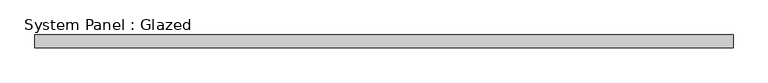
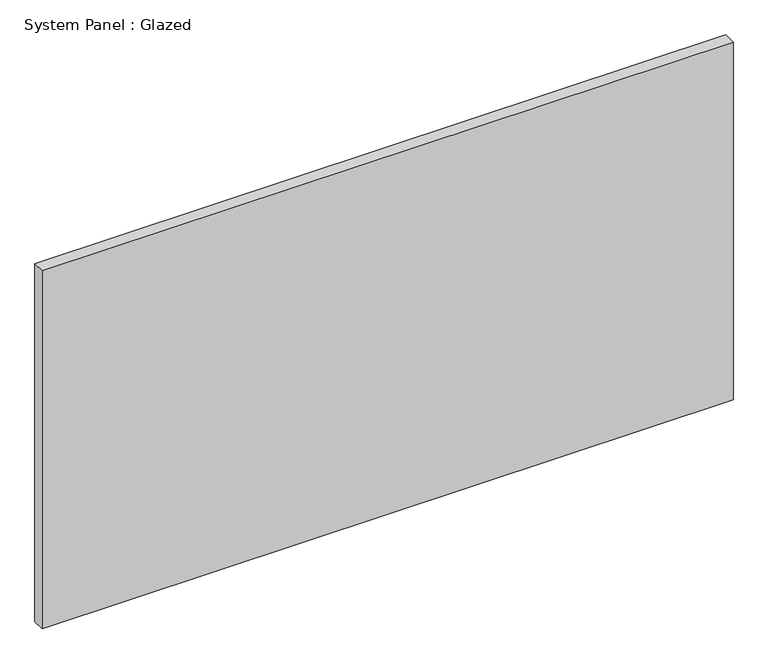
"""IFC4 building model written with IfcOpenShell, lengths in millimetres: plate geometry, System Panel : Glazed."""

from ifc_helpers import new_model, si_unit, origin, origin_with_axes, place, context, project, spatial, polyline, outline, extrude, source, transform, mapped, element, save


def system_panel_glazed_7d98da8e(model_context):
    return source(origin(), model_context, "Body", "SweptSolid", [
        extrude(outline(polyline([(700.0, 19.05), (-700.0, 19.05), (-700.0, 44.45), (700.0, 44.45), (700.0, 19.05)])), origin_with_axes(), (0.0, 0.0, 1.0), 766.6666667),
    ])


if __name__ == "__main__":
    model = new_model("IFC4")
    model_context = context("Model", 3, world=origin())
    ifc_project = project(units=[si_unit("LENGTHUNIT", "METRE", prefix="MILLI")], contexts=[model_context])
    site = spatial("IfcSite", under=ifc_project)
    building = spatial("IfcBuilding", under=site)
    placement = place(None, origin())
    system_panel_glazed_shape = system_panel_glazed_7d98da8e(model_context)
    element("IfcPlate", 1, ObjectType="System Panel : Glazed", at=placement, inside=building, context=model_context, shape_type="MappedRepresentation", body=[
        mapped(system_panel_glazed_shape, transform((0.0, 0.0, 0.0), x_axis=(1.0, 0.0, 0.0), y_axis=(0.0, 1.0, 0.0), z_axis=(0.0, 0.0, 1.0))),
    ])
    save(model, "model.ifc")
